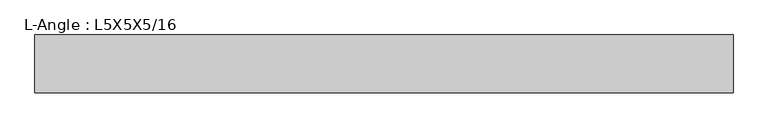
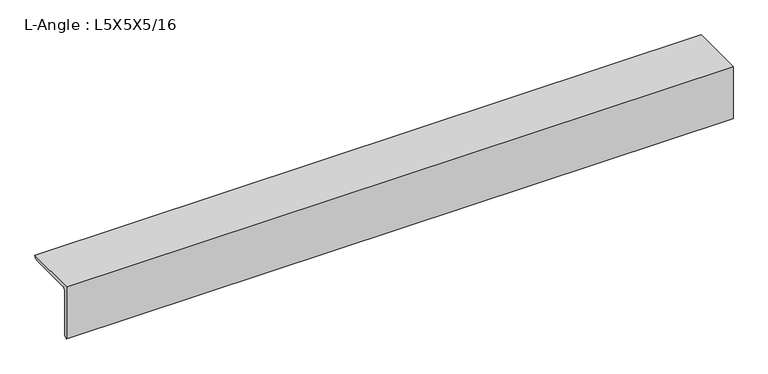
"""IFC4 building model written with IfcOpenShell, lengths in millimetres: beam geometry, L-Angle : L5X5X5/16."""

from ifc_helpers import new_model, si_unit, point, frame, frame_2d, origin, place, context, project, spatial, polyline, circle_curve, trimmed, segment, composite_curve, outline, extrude, source, transform, mapped, element, save


def l_angle_l5x5x5_16_391422b4(model_context):
    return source(origin(), model_context, "Body", "SweptSolid", [
        extrude(outline(composite_curve([segment(polyline([(-34.3296875, 34.3296875), (92.6703125, 34.3296875)]), True, "CONTINUOUS"), segment(trimmed(circle_curve(frame_2d((84.7328125, 34.3296875)), 7.9375), [point((92.6703125, 34.3296875))], [point((84.7328125, 26.3921875))], False, "CARTESIAN"), True, "CONTINUOUS"), segment(polyline([(84.7328125, 26.3921875), (-18.4546875, 26.3921875)]), True, "CONTINUOUS"), segment(trimmed(circle_curve(frame_2d((-18.4546875, 18.4546875)), 7.9375), [point((-18.4546875, 26.3921875))], [point((-26.3921875, 18.4546875))], True, "CARTESIAN"), True, "CONTINUOUS"), segment(polyline([(-26.3921875, 18.4546875), (-26.3921875, -84.7328125)]), True, "CONTINUOUS"), segment(trimmed(circle_curve(frame_2d((-34.3296875, -84.7328125)), 7.9375), [point((-26.3921875, -84.7328125))], [point((-34.3296875, -92.6703125))], False, "CARTESIAN"), True, "CONTINUOUS"), segment(polyline([(-34.3296875, -92.6703125), (-34.3296875, 34.3296875)]), True, "CONTINUOUS")], self_intersect=False)), frame((-740.8097503, 0.0, 0.0), z_axis=(1.0, 0.0, 0.0), x_axis=(0.0, 1.0, 0.0)), (0.0, 0.0, 1.0), 1531.9234063),
    ])


if __name__ == "__main__":
    model = new_model("IFC4")
    model_context = context("Model", 3, world=origin())
    ifc_project = project(units=[si_unit("LENGTHUNIT", "METRE", prefix="MILLI")], contexts=[model_context])
    site = spatial("IfcSite", under=ifc_project)
    building = spatial("IfcBuilding", under=site)
    placement = place(None, origin())
    l_angle_l5x5x5_16_shape = l_angle_l5x5x5_16_391422b4(model_context)
    element("IfcBeam", 1, ObjectType="L-Angle : L5X5X5/16", at=placement, inside=building, context=model_context, shape_type="MappedRepresentation", body=[
        mapped(l_angle_l5x5x5_16_shape, transform((0.0, 0.0, 0.0), x_axis=(1.0, 0.0, 0.0), y_axis=(0.0, 1.0, 0.0), z_axis=(0.0, 0.0, 1.0))),
    ])
    save(model, "model.ifc")
